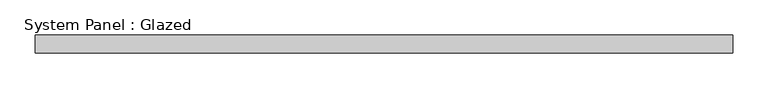
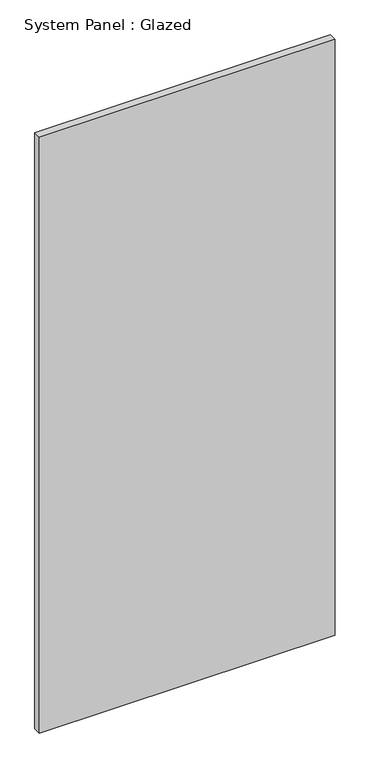
"""IFC4 building model written with IfcOpenShell, lengths in millimetres: plate geometry, System Panel : Glazed."""

from ifc_helpers import new_model, si_unit, origin, origin_with_axes, place, context, project, spatial, polyline, outline, extrude, source, transform, mapped, element, save


def system_panel_glazed_12d25c62(model_context):
    return source(origin(), model_context, "Body", "SweptSolid", [
        extrude(outline(polyline([(492.125, 19.05), (-492.125, 19.05), (-492.125, 44.45), (492.125, 44.45), (492.125, 19.05)])), origin_with_axes(), (0.0, 0.0, 1.0), 2095.5),
    ])


if __name__ == "__main__":
    model = new_model("IFC4")
    model_context = context("Model", 3, world=origin())
    ifc_project = project(units=[si_unit("LENGTHUNIT", "METRE", prefix="MILLI")], contexts=[model_context])
    site = spatial("IfcSite", under=ifc_project)
    building = spatial("IfcBuilding", under=site)
    placement = place(None, origin())
    system_panel_glazed_shape = system_panel_glazed_12d25c62(model_context)
    element("IfcPlate", 1, ObjectType="System Panel : Glazed", at=placement, inside=building, context=model_context, shape_type="MappedRepresentation", body=[
        mapped(system_panel_glazed_shape, transform((0.0, 0.0, 0.0), x_axis=(1.0, 0.0, 0.0), y_axis=(0.0, 1.0, 0.0), z_axis=(0.0, 0.0, 1.0))),
    ])
    save(model, "model.ifc")
